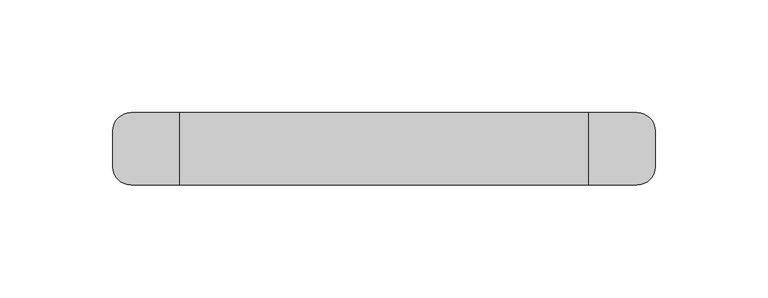
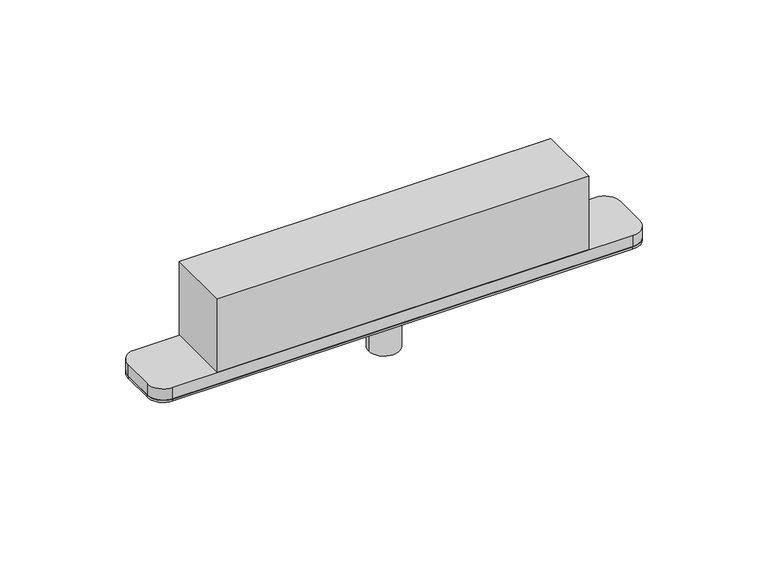
"""IFC4 building model written with IfcOpenShell, lengths in millimetres: proxy geometry."""

import ifcopenshell
import ifcopenshell.guid

model = None  # the IFC model being written
_history = None  # IfcOwnerHistory: only IFC2X3 demands one
_inside = {}  # id of a spatial element -> (the spatial element, [elements in it])
_under = {}  # id of a project, library or spatial element -> (it, [spatial elements below it])
_declared = {}  # id of a project -> (the project, [libraries it declares])
_typed = {}  # id of a type object -> (the type object, [elements of that type])
_made_of = {}  # id of a material, layer set ... -> (it, [elements and type objects made of it])


def new_model(schema):
    """Start an empty IFC model of exactly this schema.

    Asked for "IFC4X3", IfcOpenShell would pick the latest addendum, in which some entities
    have other attributes; the version numbers below select the first issue.
    IFC2X3 requires an IfcOwnerHistory on every rooted entity: one is made here for all.
    """
    global model, _history
    if schema == "IFC4X3":
        model = ifcopenshell.file(schema_version=(4, 3, 0, 0))
    else:
        model = ifcopenshell.file(schema=schema)
    _inside.clear()
    _under.clear()
    _declared.clear()
    _typed.clear()
    _made_of.clear()
    _history = None
    if model.schema == "IFC2X3":
        org = make("IfcOrganization", Name="unknown")
        user = make(
            "IfcPersonAndOrganization",
            ThePerson=make("IfcPerson", FamilyName="unknown"),
            TheOrganization=org,
        )
        app = make(
            "IfcApplication",
            ApplicationDeveloper=org,
            Version="unknown",
            ApplicationFullName="unknown",
            ApplicationIdentifier="unknown",
        )
        _history = make(
            "IfcOwnerHistory",
            OwningUser=user,
            OwningApplication=app,
            ChangeAction="ADDED",
            CreationDate=0,
        )
    return model


def make(cls, **values):
    """One entity of the class cls with the attributes given. An attribute that is None is left unset."""
    return model.create_entity(
        cls, **{name: value for name, value in values.items() if value is not None}
    )


def rooted(cls, **values):
    """An entity with a GlobalId (a new one), such as an element, a storey or a relation."""
    return make(cls, GlobalId=ifcopenshell.guid.new(), OwnerHistory=_history, **values)


def si_unit(unit_type, name, prefix=None):
    """IfcSIUnit, for example si_unit("LENGTHUNIT", "METRE", prefix="MILLI")."""
    return make("IfcSIUnit", UnitType=unit_type, Prefix=prefix, Name=name)


def assignment(units):
    """IfcUnitAssignment: the units of a project."""
    return None if units is None else make("IfcUnitAssignment", Units=units)


def point(xyz):
    """IfcCartesianPoint."""
    return None if xyz is None else make("IfcCartesianPoint", Coordinates=xyz)


def direction(xyz):
    """IfcDirection."""
    return None if xyz is None else make("IfcDirection", DirectionRatios=xyz)


def frame(location, z_axis=None, x_axis=None):
    """IfcAxis2Placement3D, a coordinate frame: its origin and axes. An axis left out is left unset."""
    return make(
        "IfcAxis2Placement3D",
        Location=point(location),
        Axis=direction(z_axis),
        RefDirection=direction(x_axis),
    )


def frame_2d(location, x_axis=None):
    """IfcAxis2Placement2D, a coordinate frame in the plane: its origin and x axis."""
    return make(
        "IfcAxis2Placement2D", Location=point(location), RefDirection=direction(x_axis)
    )


def origin():
    """The frame at (0, 0, 0) with its axes left unset."""
    return frame((0.0, 0.0, 0.0))


def origin_with_axes():
    """The frame at (0, 0, 0) with the z axis (0, 0, 1) and the x axis (1, 0, 0) written out."""
    return frame((0.0, 0.0, 0.0), z_axis=(0.0, 0.0, 1.0), x_axis=(1.0, 0.0, 0.0))


def place(relative_to, where):
    """IfcLocalPlacement: puts the frame where relative to a parent placement (None: the world)."""
    return make(
        "IfcLocalPlacement", PlacementRelTo=relative_to, RelativePlacement=where
    )


def context(
    kind, dimensions, precision=None, world=None, true_north=None, identifier=None
):
    """IfcGeometricRepresentationContext, for example the 3D "Model" context."""
    return make(
        "IfcGeometricRepresentationContext",
        ContextIdentifier=identifier,
        ContextType=kind,
        CoordinateSpaceDimension=dimensions,
        Precision=precision,
        WorldCoordinateSystem=world,
        TrueNorth=true_north,
    )


def project(units=None, contexts=None):
    """IfcProject with its units and contexts."""
    return rooted(
        "IfcProject",
        Name="project",
        RepresentationContexts=contexts,
        UnitsInContext=assignment(units),
    )


def spatial(cls, under=None, at=None, **own):
    """A site, building, storey or space (cls), placed at a placement, below another one or the project."""
    s = rooted(cls, ObjectPlacement=at, **own)
    if under is not None:
        _under.setdefault(under.id(), (under, []))[1].append(s)
    return s


def polyline(points):
    """IfcPolyline through the points."""
    return make("IfcPolyline", Points=[point(p) for p in points])


def circle_curve(where, radius):
    """IfcCircle in the frame where."""
    return make("IfcCircle", Position=where, Radius=radius)


def trimmed(basis, trim1, trim2, sense, master):
    """IfcTrimmedCurve: the piece of a basis curve between two trims."""
    return make(
        "IfcTrimmedCurve",
        BasisCurve=basis,
        Trim1=trim1,
        Trim2=trim2,
        SenseAgreement=sense,
        MasterRepresentation=master,
    )


def segment(curve, same_sense, transition):
    """IfcCompositeCurveSegment."""
    return make(
        "IfcCompositeCurveSegment",
        Transition=transition,
        SameSense=same_sense,
        ParentCurve=curve,
    )


def composite_curve(segments, self_intersect=None):
    """IfcCompositeCurve: segments joined end to end."""
    return make("IfcCompositeCurve", Segments=segments, SelfIntersect=self_intersect)


def outline(outer, holes=None, kind="AREA"):
    """IfcArbitraryClosedProfileDef: a profile drawn as a closed curve; with holes, ...WithVoids."""
    if holes is None:
        return make("IfcArbitraryClosedProfileDef", ProfileType=kind, OuterCurve=outer)
    return make(
        "IfcArbitraryProfileDefWithVoids",
        ProfileType=kind,
        OuterCurve=outer,
        InnerCurves=holes,
    )


def extrude(swept, where, along, depth):
    """IfcExtrudedAreaSolid: the profile swept, set in the frame where, extruded along a direction by depth."""
    return make(
        "IfcExtrudedAreaSolid",
        SweptArea=swept,
        Position=where,
        ExtrudedDirection=direction(along),
        Depth=depth,
    )


def shape(context_of_items, identifier, shape_type, items):
    """IfcShapeRepresentation: the items that make up one representation, for example the "Body"."""
    return make(
        "IfcShapeRepresentation",
        ContextOfItems=context_of_items,
        RepresentationIdentifier=identifier,
        RepresentationType=shape_type,
        Items=items,
    )


def source(mapping_origin, context_of_items, identifier, shape_type, items):
    """IfcRepresentationMap: a shape defined once, which mapped items show again and again."""
    return make(
        "IfcRepresentationMap",
        MappingOrigin=mapping_origin,
        MappedRepresentation=shape(context_of_items, identifier, shape_type, items),
    )


def transform(
    local_origin,
    x_axis=None,
    y_axis=None,
    z_axis=None,
    scale=None,
    scale2=None,
    scale3=None,
    uniform=True,
):
    """IfcCartesianTransformationOperator3D, or its non-uniform kind. x_axis, y_axis, z_axis: its Axis1, 2, 3."""
    if uniform:
        return make(
            "IfcCartesianTransformationOperator3D",
            Axis1=direction(x_axis),
            Axis2=direction(y_axis),
            LocalOrigin=point(local_origin),
            Scale=scale,
            Axis3=direction(z_axis),
        )
    return make(
        "IfcCartesianTransformationOperator3DnonUniform",
        Axis1=direction(x_axis),
        Axis2=direction(y_axis),
        LocalOrigin=point(local_origin),
        Scale=scale,
        Axis3=direction(z_axis),
        Scale2=scale2,
        Scale3=scale3,
    )


def mapped(mapping_source, mapping_target):
    """IfcMappedItem: shows the shape of a source again, moved by a transform."""
    return make(
        "IfcMappedItem", MappingSource=mapping_source, MappingTarget=mapping_target
    )


def made_of(thing, what):
    """Note that an element or type object is made of a material, layer set ...; save() writes the relation."""
    if what is not None:
        _made_of.setdefault(what.id(), (what, []))[1].append(thing)
    return thing


def element(
    cls,
    number,
    at=None,
    inside=None,
    cuts=None,
    type_object=None,
    material=None,
    context=None,
    identifier="Body",
    shape_type=None,
    held_by="IfcProductDefinitionShape",
    body=None,
    shapes=None,
    **own,
):
    """One element of the class cls, such as IfcWall. Its Tag is "e" and its number.

    at: its placement. inside: the storey or other place that contains it. cuts: it is an
    opening in that element (IfcRelVoidsElement). A single representation is given by context,
    identifier, shape_type and body (its items); several are given by shapes. held_by: the class
    of the entity that holds the representations. save() writes the other relations.
    """
    e = rooted(cls, Tag="e%d" % number, ObjectPlacement=at, **own)
    if body is not None:
        shapes = [shape(context, identifier, shape_type, body)]
    if shapes is not None:
        e.Representation = make(held_by, Representations=shapes)
    if inside is not None:
        _inside.setdefault(inside.id(), (inside, []))[1].append(e)
    if cuts is not None:
        rooted(
            "IfcRelVoidsElement", RelatingBuildingElement=cuts, RelatedOpeningElement=e
        )
    if type_object is not None:
        _typed.setdefault(type_object.id(), (type_object, []))[1].append(e)
    return made_of(e, material)


def aggregate(whole, parts):
    """IfcRelAggregates: a whole, such as a stair, and the parts it consists of."""
    return rooted("IfcRelAggregates", RelatingObject=whole, RelatedObjects=parts)


def save(model, path):
    """Write the relations noted so far, then the file.

    IfcRelAggregates (storeys below a building ...), IfcRelContainedInSpatialStructure (elements
    in a storey), IfcRelDefinesByType, IfcRelAssociatesMaterial and IfcRelDeclares: one each for
    every whole, place, type object, material and project.
    """
    for whole, parts in _under.values():
        aggregate(whole, parts)
    for where, things in _inside.values():
        rooted(
            "IfcRelContainedInSpatialStructure",
            RelatedElements=things,
            RelatingStructure=where,
        )
    for kind, things in _typed.values():
        rooted("IfcRelDefinesByType", RelatedObjects=things, RelatingType=kind)
    for what, things in _made_of.values():
        rooted("IfcRelAssociatesMaterial", RelatedObjects=things, RelatingMaterial=what)
    for by, libraries in _declared.values():
        rooted("IfcRelDeclares", RelatingContext=by, RelatedDefinitions=libraries)
    model.write(path)


def plane_surface(at):
    """IfcPlane: the flat surface through the origin of the frame at, square to its z axis."""
    return make("IfcPlane", Position=at)


def cylinder_surface(at, radius):
    """IfcCylindricalSurface: all points at the distance radius from the z axis of the frame at."""
    return make("IfcCylindricalSurface", Position=at, Radius=radius)


def revolved_surface(curve, axis_point, axis_direction):
    """IfcSurfaceOfRevolution: the curve turned about the line through axis_point along axis_direction."""
    return make(
        "IfcSurfaceOfRevolution",
        SweptCurve=make("IfcArbitraryOpenProfileDef", ProfileType="CURVE", Curve=curve),
        AxisPosition=make("IfcAxis1Placement", Location=point(axis_point), Axis=direction(axis_direction)),
    )


def advanced_brep(points, edges, surfaces, faces):
    """IfcAdvancedBrep: a solid bounded by faces that lie on surfaces and meet in shared edges.

    An edge is (start, end): straight between two places in points (the first is 0);
    or (start, end, curve); or (start, end, curve, False) where it runs against its curve.
    A face is (place in surfaces, loops), or (place, loops, False) where it looks against
    its surface's normal. A loop lists edges by number (the first is 1), with a minus sign
    where the edge is run from its end to its start. The first loop is the outer one.
    """
    corners = [point(p) for p in points]
    vertices = [make("IfcVertexPoint", VertexGeometry=c) for c in corners]
    made = []
    for start, end, *more in edges:
        made.append(
            make(
                "IfcEdgeCurve",
                EdgeStart=vertices[start],
                EdgeEnd=vertices[end],
                EdgeGeometry=more[0] if more else make("IfcPolyline", Points=[corners[start], corners[end]]),
                SameSense=more[1] if len(more) > 1 else True,
            )
        )
    hull = []
    for where, loops, *sense in faces:
        bounds = []
        for j, loop in enumerate(loops):
            ring = [make("IfcOrientedEdge", EdgeElement=made[abs(k) - 1], Orientation=k > 0) for k in loop]
            bounds.append(
                make(
                    "IfcFaceOuterBound" if j == 0 else "IfcFaceBound",
                    Bound=make("IfcEdgeLoop", EdgeList=ring),
                    Orientation=True,
                )
            )
        hull.append(make("IfcAdvancedFace", Bounds=bounds, FaceSurface=surfaces[where], SameSense=sense[0] if sense else True))
    return make("IfcAdvancedBrep", Outer=make("IfcClosedShell", CfsFaces=hull))


def generic_models_1dde721d(model_context):
    return source(origin(), model_context, "Body", "SolidModel", [
        extrude(outline(composite_curve([segment(polyline([(112.0, -16.0), (-112.0, -16.0)]), True, "CONTINUOUS"), segment(trimmed(circle_curve(frame_2d((-112.0, -8.0)), 8.0), [point((-112.0, -16.0))], [point((-120.0, -8.0))], False, "CARTESIAN"), True, "CONTINUOUS"), segment(polyline([(-120.0, -8.0), (-120.0, 8.0)]), True, "CONTINUOUS"), segment(trimmed(circle_curve(frame_2d((-112.0, 8.0)), 8.0), [point((-120.0, 8.0))], [point((-112.0, 16.0))], False, "CARTESIAN"), True, "CONTINUOUS"), segment(polyline([(-112.0, 16.0), (112.0, 16.0)]), True, "CONTINUOUS"), segment(trimmed(circle_curve(frame_2d((112.0, 8.0)), 8.0), [point((112.0, 16.0))], [point((120.0, 8.0))], False, "CARTESIAN"), True, "CONTINUOUS"), segment(polyline([(120.0, 8.0), (120.0, -8.0)]), True, "CONTINUOUS"), segment(trimmed(circle_curve(frame_2d((112.0, -8.0)), 8.0), [point((120.0, -8.0))], [point((112.0, -16.0))], False, "CARTESIAN"), True, "CONTINUOUS")], self_intersect=False), holes=[composite_curve([segment(polyline([(5.0, 7.55), (-5.0, 7.55)]), True, "CONTINUOUS"), segment(trimmed(circle_curve(frame_2d((-5.0, 0.0)), 7.55), [point((-5.0, 7.55))], [point((-5.0, -7.55))], True, "CARTESIAN"), True, "CONTINUOUS"), segment(polyline([(-5.0, -7.55), (5.0, -7.55)]), True, "CONTINUOUS"), segment(trimmed(circle_curve(frame_2d((5.0, 0.0)), 7.55), [point((5.0, -7.55))], [point((5.0, 7.55))], True, "CARTESIAN"), True, "CONTINUOUS")], self_intersect=False)]), origin_with_axes(), (0.0, 0.0, 1.0), 1.0),
        advanced_brep(
        [(-112.0, -16.0, 1.0), (112.0, -16.0, 1.0), (112.0, -16.0, 7.0), (-112.0, -16.0, 7.0), (-112.0, 16.0, 7.0), (112.0, 16.0, 7.0), (112.0, 16.0, 1.0), (-112.0, 16.0, 1.0), (-120.0, -8.0, 7.0), (-120.0, 8.0, 7.0), (-120.0, 8.0, 1.0), (-120.0, -8.0, 1.0), (120.0, 8.0, 1.0), (120.0, -8.0, 1.0), (5.0, 7.55, 1.0), (-5.0, 7.55, 1.0), (-5.0, -7.55, 1.0), (5.0, -7.55, 1.0), (120.0, 8.0, 7.0), (120.0, -8.0, 7.0), (5.0, 7.55, 5.15), (5.0, -7.55, 5.15), (-5.0, -7.55, 5.15), (-5.0, 7.55, 5.15)],
        [
            (0, 1),
            (1, 2),
            (2, 3),
            (3, 0),
            (4, 5),
            (5, 6),
            (6, 7),
            (7, 4),
            (8, 9),
            (9, 10),
            (10, 11),
            (11, 8),
            (0, 11, circle_curve(frame((-112.0, -8.0, 1.0), z_axis=(0.0, 0.0, -1.0), x_axis=(0.0, 1.0, 0.0)), 8.0)),
            (10, 7, circle_curve(frame((-112.0, 8.0, 1.0), z_axis=(0.0, 0.0, -1.0), x_axis=(0.0, 1.0, 0.0)), 8.0)),
            (6, 12, circle_curve(frame((112.0, 8.0, 1.0), z_axis=(0.0, 0.0, -1.0), x_axis=(0.0, 1.0, 0.0)), 8.0)),
            (12, 13),
            (13, 1, circle_curve(frame((112.0, -8.0, 1.0), z_axis=(0.0, 0.0, -1.0), x_axis=(0.0, 1.0, 0.0)), 8.0)),
            (14, 15),
            (15, 16, circle_curve(frame((-5.0, 0.0, 1.0), z_axis=(0.0, 0.0, 1.0), x_axis=(-1.0, 0.0, 0.0)), 7.55)),
            (16, 17),
            (17, 14, circle_curve(frame((5.0, 0.0, 1.0), z_axis=(0.0, 0.0, 1.0), x_axis=(-1.0, 0.0, 0.0)), 7.55)),
            (12, 18),
            (18, 19),
            (19, 13),
            (2, 19, circle_curve(frame((112.0, -8.0, 7.0), z_axis=(0.0, 0.0, 1.0), x_axis=(0.0, 1.0, 0.0)), 8.0)),
            (18, 5, circle_curve(frame((112.0, 8.0, 7.0), z_axis=(0.0, 0.0, 1.0), x_axis=(0.0, 1.0, 0.0)), 8.0)),
            (4, 9, circle_curve(frame((-112.0, 8.0, 7.0), z_axis=(0.0, 0.0, 1.0), x_axis=(0.0, 1.0, 0.0)), 8.0)),
            (8, 3, circle_curve(frame((-112.0, -8.0, 7.0), z_axis=(0.0, 0.0, 1.0), x_axis=(0.0, 1.0, 0.0)), 8.0)),
            (20, 21, circle_curve(frame((5.0, 0.0, 5.15), z_axis=(0.0, 0.0, -1.0), x_axis=(-1.0, 0.0, 0.0)), 7.55)),
            (21, 22),
            (22, 23, circle_curve(frame((-5.0, 0.0, 5.15), z_axis=(0.0, 0.0, -1.0), x_axis=(-1.0, 0.0, 0.0)), 7.55)),
            (23, 20),
            (23, 15),
            (14, 20),
            (22, 16),
            (21, 17),
        ],
        [
            plane_surface(frame((-120.0, -16.0, 1.0), z_axis=(0.0, -1.0, 0.0), x_axis=(0.0, 0.0, -1.0))),
            plane_surface(frame((-120.0, 16.0, 1.0), z_axis=(0.0, 1.0, 0.0), x_axis=(0.0, 0.0, 1.0))),
            plane_surface(frame((-120.0, -16.0, 7.0), z_axis=(-1.0, 0.0, 0.0), x_axis=(0.0, 1.0, 0.0))),
            plane_surface(frame((-120.0, -16.0, 1.0), z_axis=(0.0, 0.0, -1.0), x_axis=(0.0, 1.0, 0.0))),
            plane_surface(frame((120.0, -16.0, 1.0), z_axis=(1.0, 0.0, 0.0), x_axis=(0.0, 1.0, 0.0))),
            plane_surface(frame((120.0, -16.0, 7.0), z_axis=(0.0, 0.0, 1.0), x_axis=(0.0, 1.0, 0.0))),
            cylinder_surface(frame((-112.0, -8.0, 7.0), z_axis=(0.0, 0.0, 1.0), x_axis=(0.0, 1.0, 0.0)), 8.0),
            cylinder_surface(frame((-112.0, 8.0, 0.0), z_axis=(0.0, 0.0, 1.0), x_axis=(0.0, 1.0, 0.0)), 8.0),
            cylinder_surface(frame((112.0, -8.0, 0.0), z_axis=(0.0, 0.0, 1.0), x_axis=(0.0, 1.0, 0.0)), 8.0),
            cylinder_surface(frame((112.0, 8.0, 0.0), z_axis=(0.0, 0.0, 1.0), x_axis=(0.0, 1.0, 0.0)), 8.0),
            plane_surface(frame((0.0, 0.0, 5.15), z_axis=(0.0, 0.0, -1.0), x_axis=(0.0, -1.0, 0.0))),
            plane_surface(frame((-5.0, 7.55, 0.0), z_axis=(0.0, -1.0, 0.0), x_axis=(0.0, 0.0, 1.0))),
            revolved_surface(polyline([(-12.55, 0.0, 1.0), (-12.55, 0.0, 5.15)]), (-5.0, 0.0, 0.0), (0.0, 0.0, -1.0)),
            plane_surface(frame((5.0, -7.55, 0.0), z_axis=(0.0, 1.0, 0.0), x_axis=(0.0, 0.0, 1.0))),
            revolved_surface(polyline([(-2.55, 0.0, 1.0), (-2.55, 0.0, 5.15)]), (5.0, 0.0, 0.0), (0.0, 0.0, -1.0)),
        ],
        [
            (0, [[1, 2, 3, 4]]),
            (1, [[5, 6, 7, 8]]),
            (2, [[9, 10, 11, 12]]),
            (3, [[-1, 13, -11, 14, -7, 15, 16, 17], [18, 19, 20, 21]]),
            (4, [[-16, 22, 23, 24]]),
            (5, [[-3, 25, -23, 26, -5, 27, -9, 28]]),
            (6, [[-4, -28, -12, -13]]),
            (7, [[-8, -14, -10, -27]]),
            (8, [[-2, -17, -24, -25]]),
            (9, [[-6, -26, -22, -15]]),
            (10, [[29, 30, 31, 32]]),
            (11, [[-32, 33, -18, 34]]),
            (12, [[-31, 35, -19, -33]]),
            (13, [[-30, 36, -20, -35]]),
            (14, [[-29, -34, -21, -36]]),
        ],
    ),
        extrude(outline(polyline([(90.5, -16.0), (-90.5, -16.0), (-90.5, 16.0), (90.5, 16.0), (90.5, -16.0)])), frame((0.0, 0.0, 7.0), z_axis=(0.0, 0.0, 1.0), x_axis=(1.0, 0.0, 0.0)), (0.0, 0.0, 1.0), 38.0),
        advanced_brep(
        [(7.5, 0.0, -20.5), (-7.5, 0.0, -20.5), (-7.5, 0.0, 5.15), (7.5, 0.0, 5.15), (0.0, 0.0, 5.15), (0.0, 0.0, -20.5)],
        [
            (0, 1, circle_curve(frame((0.0, 0.0, -20.5), z_axis=(0.0, 0.0, 1.0), x_axis=(-1.0, 0.0, 0.0)), 7.5)),
            (1, 2),
            (2, 3, circle_curve(frame((0.0, 0.0, 5.15), z_axis=(0.0, 0.0, -1.0), x_axis=(-1.0, 0.0, 0.0)), 7.5)),
            (3, 0),
            (1, 0, circle_curve(frame((0.0, 0.0, -20.5), z_axis=(0.0, 0.0, 1.0), x_axis=(-1.0, 0.0, 0.0)), 7.5)),
            (3, 2, circle_curve(frame((0.0, 0.0, 5.15), z_axis=(0.0, 0.0, -1.0), x_axis=(-1.0, 0.0, 0.0)), 7.5)),
            (2, 4),
            (4, 3),
            (5, 1),
            (0, 5),
        ],
        [
            cylinder_surface(frame((0.0, 0.0, -28.9005806), z_axis=(0.0, 0.0, -1.0), x_axis=(-1.0, 0.0, 0.0)), 7.5),
            plane_surface(frame((0.0, 0.0, 5.15), z_axis=(0.0, 0.0, 1.0), x_axis=(-1.0, 0.0, 0.0))),
            plane_surface(frame((0.0, 0.0, -20.5), z_axis=(0.0, 0.0, -1.0), x_axis=(-1.0, 0.0, 0.0))),
        ],
        [
            (0, [[1, 2, 3, 4]]),
            (0, [[5, -4, 6, -2]]),
            (1, [[-3, 7, 8]]),
            (1, [[-6, -8, -7]]),
            (2, [[9, -1, 10]]),
            (2, [[-10, -5, -9]]),
        ],
    ),
    ])


if __name__ == "__main__":
    model = new_model("IFC4")
    model_context = context("Model", 3, world=origin())
    ifc_project = project(units=[si_unit("LENGTHUNIT", "METRE", prefix="MILLI")], contexts=[model_context])
    site = spatial("IfcSite", under=ifc_project)
    building = spatial("IfcBuilding", under=site)
    placement = place(None, origin())
    generic_models_shape = generic_models_1dde721d(model_context)
    element("IfcBuildingElementProxy", 1, Name="Generic Models", at=placement, inside=building, context=model_context, shape_type="MappedRepresentation", body=[
        mapped(generic_models_shape, transform((0.0, 0.0, 0.0), x_axis=(1.0, 0.0, 0.0), y_axis=(0.0, 1.0, 0.0), z_axis=(0.0, 0.0, 1.0))),
    ])
    save(model, "model.ifc")
